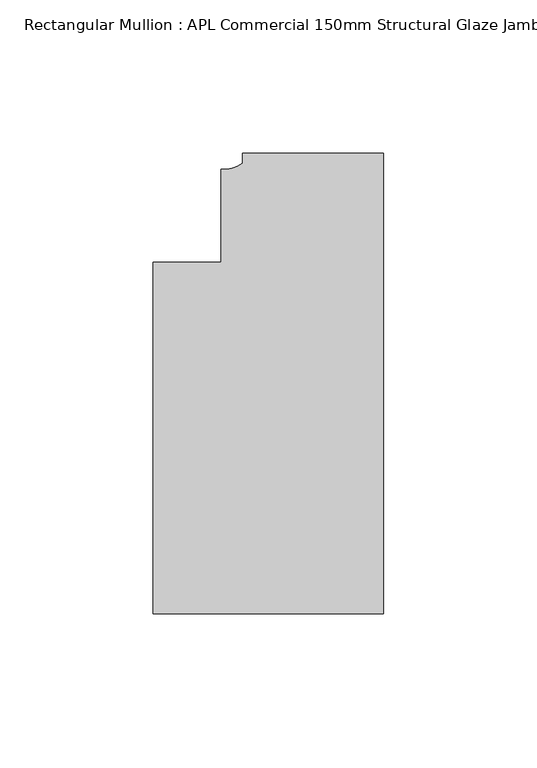
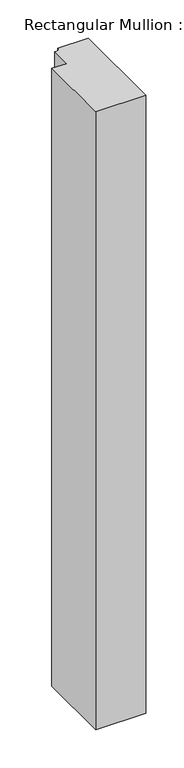
"""IFC4 building model written with IfcOpenShell, lengths in millimetres: member geometry, Rectangular Mullion : APL Commercial 150mm Structural Glaze Jamb Frame (left)."""

from ifc_helpers import new_model, si_unit, point, frame, frame_2d, origin, place, context, project, spatial, polyline, circle_curve, trimmed, segment, composite_curve, outline, extrude, source, transform, mapped, element, save


def rectangular_mullion_apl_commercial_150mm_structural_glaze_6cb7d997(model_context):
    return source(origin(), model_context, "Body", "SweptSolid", [
        extrude(outline(composite_curve([segment(polyline([(0.0, 20.5), (0.0, -129.4999988), (-75.0, -129.4999988), (-75.0, -15.0000829), (-52.9999391, -15.0000829), (-52.9999391, 15.3797475)]), True, "CONTINUOUS"), segment(trimmed(circle_curve(frame_2d((-52.1098019, 25.7981812)), 10.4563907), [point((-52.9999391, 15.3797475))], [point((-45.9999842, 17.3125325))], True, "CARTESIAN"), True, "CONTINUOUS"), segment(polyline([(-45.9999842, 17.3125325), (-45.9999842, 20.5), (0.0, 20.5)]), True, "CONTINUOUS")], self_intersect=False)), frame((0.0, 0.0, -983.7033268), z_axis=(0.0, 0.0, 1.0), x_axis=(1.0, 0.0, 0.0)), (0.0, 0.0, 1.0), 983.7033268),
    ])


if __name__ == "__main__":
    model = new_model("IFC4")
    model_context = context("Model", 3, world=origin())
    ifc_project = project(units=[si_unit("LENGTHUNIT", "METRE", prefix="MILLI")], contexts=[model_context])
    site = spatial("IfcSite", under=ifc_project)
    building = spatial("IfcBuilding", under=site)
    placement = place(None, origin())
    rectangular_mullion_apl_commercial_150mm_structural_glaze_shape = rectangular_mullion_apl_commercial_150mm_structural_glaze_6cb7d997(model_context)
    element("IfcMember", 1, ObjectType="Rectangular Mullion : APL Commercial 150mm Structural Glaze Jamb Frame (left)", at=placement, inside=building, context=model_context, shape_type="MappedRepresentation", body=[
        mapped(rectangular_mullion_apl_commercial_150mm_structural_glaze_shape, transform((0.0, 0.0, 0.0), x_axis=(1.0, 0.0, 0.0), y_axis=(0.0, 1.0, 0.0), z_axis=(0.0, 0.0, 1.0))),
    ])
    save(model, "model.ifc")
